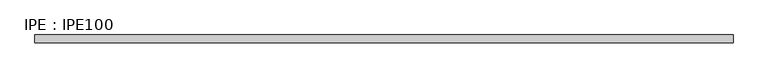
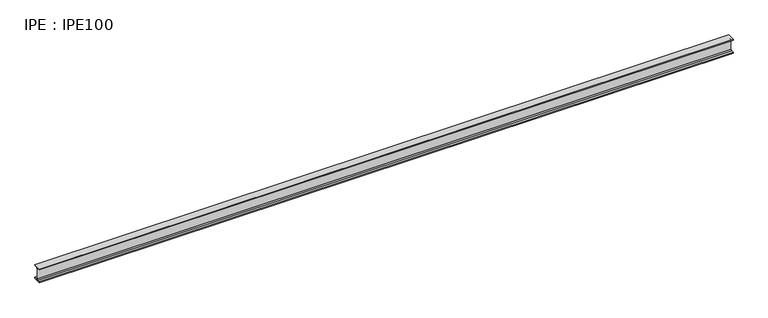
"""IFC4 building model written with IfcOpenShell, lengths in millimetres: beam geometry, IPE : IPE100."""

from ifc_helpers import new_model, si_unit, point, frame, frame_2d, origin, place, context, project, spatial, polyline, circle_curve, trimmed, segment, composite_curve, outline, extrude, source, transform, mapped, element, save


def ipe_ipe100_276a4ea1(model_context):
    return source(origin(), model_context, "Body", "SweptSolid", [
        extrude(outline(composite_curve([segment(polyline([(27.5, -44.3), (27.5, -50.0), (-27.5, -50.0), (-27.5, -44.3), (-9.05, -44.3)]), True, "CONTINUOUS"), segment(trimmed(circle_curve(frame_2d((-9.05, -37.3)), 7.0), [point((-9.05, -44.3))], [point((-2.05, -37.3))], True, "CARTESIAN"), True, "CONTINUOUS"), segment(polyline([(-2.05, -37.3), (-2.05, 37.3)]), True, "CONTINUOUS"), segment(trimmed(circle_curve(frame_2d((-9.05, 37.3)), 7.0), [point((-2.05, 37.3))], [point((-9.05, 44.3))], True, "CARTESIAN"), True, "CONTINUOUS"), segment(polyline([(-9.05, 44.3), (-27.5, 44.3), (-27.5, 50.0), (27.5, 50.0), (27.5, 44.3), (9.05, 44.3)]), True, "CONTINUOUS"), segment(trimmed(circle_curve(frame_2d((9.05, 37.3)), 7.0), [point((9.05, 44.3))], [point((2.05, 37.3))], True, "CARTESIAN"), True, "CONTINUOUS"), segment(polyline([(2.05, 37.3), (2.05, -37.3)]), True, "CONTINUOUS"), segment(trimmed(circle_curve(frame_2d((9.05, -37.3)), 7.0), [point((2.05, -37.3))], [point((9.05, -44.3))], True, "CARTESIAN"), True, "CONTINUOUS"), segment(polyline([(9.05, -44.3), (27.5, -44.3)]), True, "CONTINUOUS")], self_intersect=False)), frame((-2414.55, 0.0, 0.0), z_axis=(1.0, 0.0, 0.0), x_axis=(0.0, 1.0, 0.0)), (0.0, 0.0, 1.0), 4824.7),
    ])


if __name__ == "__main__":
    model = new_model("IFC4")
    model_context = context("Model", 3, world=origin())
    ifc_project = project(units=[si_unit("LENGTHUNIT", "METRE", prefix="MILLI")], contexts=[model_context])
    site = spatial("IfcSite", under=ifc_project)
    building = spatial("IfcBuilding", under=site)
    placement = place(None, origin())
    ipe_ipe100_shape = ipe_ipe100_276a4ea1(model_context)
    element("IfcBeam", 1, ObjectType="IPE : IPE100", at=placement, inside=building, context=model_context, shape_type="MappedRepresentation", body=[
        mapped(ipe_ipe100_shape, transform((0.0, 0.0, 0.0), x_axis=(1.0, 0.0, 0.0), y_axis=(0.0, 1.0, 0.0), z_axis=(0.0, 0.0, 1.0))),
    ])
    save(model, "model.ifc")
